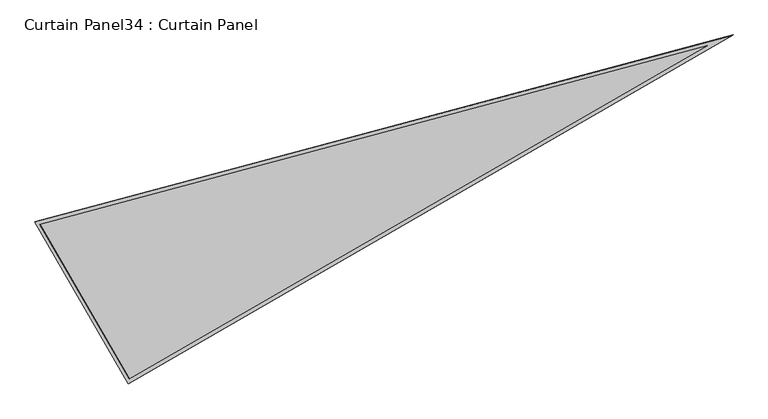
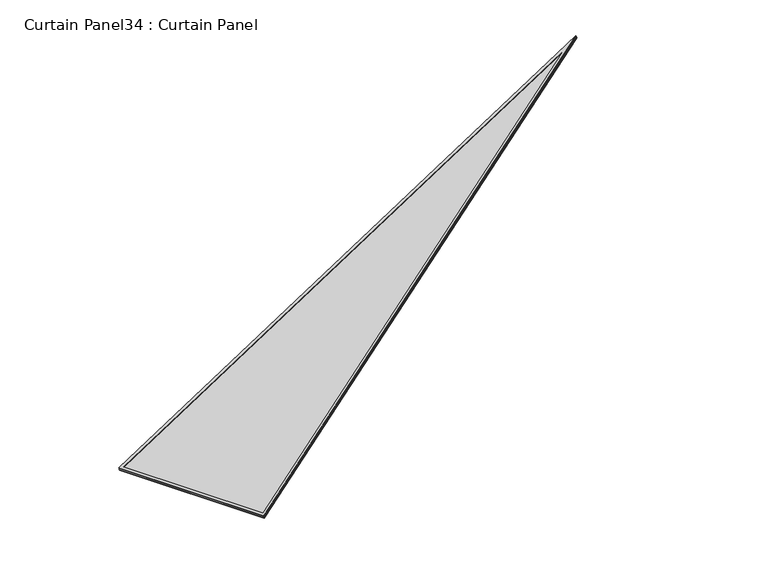
"""IFC4 building model written with IfcOpenShell, lengths in millimetres: plate geometry, Curtain Panel34 : Curtain Panel."""

import ifcopenshell
import ifcopenshell.guid

model = None  # the IFC model being written
_history = None  # IfcOwnerHistory: only IFC2X3 demands one
_inside = {}  # id of a spatial element -> (the spatial element, [elements in it])
_under = {}  # id of a project, library or spatial element -> (it, [spatial elements below it])
_declared = {}  # id of a project -> (the project, [libraries it declares])
_typed = {}  # id of a type object -> (the type object, [elements of that type])
_made_of = {}  # id of a material, layer set ... -> (it, [elements and type objects made of it])


def new_model(schema):
    """Start an empty IFC model of exactly this schema.

    Asked for "IFC4X3", IfcOpenShell would pick the latest addendum, in which some entities
    have other attributes; the version numbers below select the first issue.
    IFC2X3 requires an IfcOwnerHistory on every rooted entity: one is made here for all.
    """
    global model, _history
    if schema == "IFC4X3":
        model = ifcopenshell.file(schema_version=(4, 3, 0, 0))
    else:
        model = ifcopenshell.file(schema=schema)
    _inside.clear()
    _under.clear()
    _declared.clear()
    _typed.clear()
    _made_of.clear()
    _history = None
    if model.schema == "IFC2X3":
        org = make("IfcOrganization", Name="unknown")
        user = make(
            "IfcPersonAndOrganization",
            ThePerson=make("IfcPerson", FamilyName="unknown"),
            TheOrganization=org,
        )
        app = make(
            "IfcApplication",
            ApplicationDeveloper=org,
            Version="unknown",
            ApplicationFullName="unknown",
            ApplicationIdentifier="unknown",
        )
        _history = make(
            "IfcOwnerHistory",
            OwningUser=user,
            OwningApplication=app,
            ChangeAction="ADDED",
            CreationDate=0,
        )
    return model


def make(cls, **values):
    """One entity of the class cls with the attributes given. An attribute that is None is left unset."""
    return model.create_entity(
        cls, **{name: value for name, value in values.items() if value is not None}
    )


def rooted(cls, **values):
    """An entity with a GlobalId (a new one), such as an element, a storey or a relation."""
    return make(cls, GlobalId=ifcopenshell.guid.new(), OwnerHistory=_history, **values)


def si_unit(unit_type, name, prefix=None):
    """IfcSIUnit, for example si_unit("LENGTHUNIT", "METRE", prefix="MILLI")."""
    return make("IfcSIUnit", UnitType=unit_type, Prefix=prefix, Name=name)


def assignment(units):
    """IfcUnitAssignment: the units of a project."""
    return None if units is None else make("IfcUnitAssignment", Units=units)


def point(xyz):
    """IfcCartesianPoint."""
    return None if xyz is None else make("IfcCartesianPoint", Coordinates=xyz)


def direction(xyz):
    """IfcDirection."""
    return None if xyz is None else make("IfcDirection", DirectionRatios=xyz)


def frame(location, z_axis=None, x_axis=None):
    """IfcAxis2Placement3D, a coordinate frame: its origin and axes. An axis left out is left unset."""
    return make(
        "IfcAxis2Placement3D",
        Location=point(location),
        Axis=direction(z_axis),
        RefDirection=direction(x_axis),
    )


def origin():
    """The frame at (0, 0, 0) with its axes left unset."""
    return frame((0.0, 0.0, 0.0))


def place(relative_to, where):
    """IfcLocalPlacement: puts the frame where relative to a parent placement (None: the world)."""
    return make(
        "IfcLocalPlacement", PlacementRelTo=relative_to, RelativePlacement=where
    )


def context(
    kind, dimensions, precision=None, world=None, true_north=None, identifier=None
):
    """IfcGeometricRepresentationContext, for example the 3D "Model" context."""
    return make(
        "IfcGeometricRepresentationContext",
        ContextIdentifier=identifier,
        ContextType=kind,
        CoordinateSpaceDimension=dimensions,
        Precision=precision,
        WorldCoordinateSystem=world,
        TrueNorth=true_north,
    )


def project(units=None, contexts=None):
    """IfcProject with its units and contexts."""
    return rooted(
        "IfcProject",
        Name="project",
        RepresentationContexts=contexts,
        UnitsInContext=assignment(units),
    )


def spatial(cls, under=None, at=None, **own):
    """A site, building, storey or space (cls), placed at a placement, below another one or the project."""
    s = rooted(cls, ObjectPlacement=at, **own)
    if under is not None:
        _under.setdefault(under.id(), (under, []))[1].append(s)
    return s


def polyline(points):
    """IfcPolyline through the points."""
    return make("IfcPolyline", Points=[point(p) for p in points])


def outline(outer, holes=None, kind="AREA"):
    """IfcArbitraryClosedProfileDef: a profile drawn as a closed curve; with holes, ...WithVoids."""
    if holes is None:
        return make("IfcArbitraryClosedProfileDef", ProfileType=kind, OuterCurve=outer)
    return make(
        "IfcArbitraryProfileDefWithVoids",
        ProfileType=kind,
        OuterCurve=outer,
        InnerCurves=holes,
    )


def extrude(swept, where, along, depth):
    """IfcExtrudedAreaSolid: the profile swept, set in the frame where, extruded along a direction by depth."""
    return make(
        "IfcExtrudedAreaSolid",
        SweptArea=swept,
        Position=where,
        ExtrudedDirection=direction(along),
        Depth=depth,
    )


def shape(context_of_items, identifier, shape_type, items):
    """IfcShapeRepresentation: the items that make up one representation, for example the "Body"."""
    return make(
        "IfcShapeRepresentation",
        ContextOfItems=context_of_items,
        RepresentationIdentifier=identifier,
        RepresentationType=shape_type,
        Items=items,
    )


def source(mapping_origin, context_of_items, identifier, shape_type, items):
    """IfcRepresentationMap: a shape defined once, which mapped items show again and again."""
    return make(
        "IfcRepresentationMap",
        MappingOrigin=mapping_origin,
        MappedRepresentation=shape(context_of_items, identifier, shape_type, items),
    )


def transform(
    local_origin,
    x_axis=None,
    y_axis=None,
    z_axis=None,
    scale=None,
    scale2=None,
    scale3=None,
    uniform=True,
):
    """IfcCartesianTransformationOperator3D, or its non-uniform kind. x_axis, y_axis, z_axis: its Axis1, 2, 3."""
    if uniform:
        return make(
            "IfcCartesianTransformationOperator3D",
            Axis1=direction(x_axis),
            Axis2=direction(y_axis),
            LocalOrigin=point(local_origin),
            Scale=scale,
            Axis3=direction(z_axis),
        )
    return make(
        "IfcCartesianTransformationOperator3DnonUniform",
        Axis1=direction(x_axis),
        Axis2=direction(y_axis),
        LocalOrigin=point(local_origin),
        Scale=scale,
        Axis3=direction(z_axis),
        Scale2=scale2,
        Scale3=scale3,
    )


def mapped(mapping_source, mapping_target):
    """IfcMappedItem: shows the shape of a source again, moved by a transform."""
    return make(
        "IfcMappedItem", MappingSource=mapping_source, MappingTarget=mapping_target
    )


def made_of(thing, what):
    """Note that an element or type object is made of a material, layer set ...; save() writes the relation."""
    if what is not None:
        _made_of.setdefault(what.id(), (what, []))[1].append(thing)
    return thing


def element(
    cls,
    number,
    at=None,
    inside=None,
    cuts=None,
    type_object=None,
    material=None,
    context=None,
    identifier="Body",
    shape_type=None,
    held_by="IfcProductDefinitionShape",
    body=None,
    shapes=None,
    **own,
):
    """One element of the class cls, such as IfcWall. Its Tag is "e" and its number.

    at: its placement. inside: the storey or other place that contains it. cuts: it is an
    opening in that element (IfcRelVoidsElement). A single representation is given by context,
    identifier, shape_type and body (its items); several are given by shapes. held_by: the class
    of the entity that holds the representations. save() writes the other relations.
    """
    e = rooted(cls, Tag="e%d" % number, ObjectPlacement=at, **own)
    if body is not None:
        shapes = [shape(context, identifier, shape_type, body)]
    if shapes is not None:
        e.Representation = make(held_by, Representations=shapes)
    if inside is not None:
        _inside.setdefault(inside.id(), (inside, []))[1].append(e)
    if cuts is not None:
        rooted(
            "IfcRelVoidsElement", RelatingBuildingElement=cuts, RelatedOpeningElement=e
        )
    if type_object is not None:
        _typed.setdefault(type_object.id(), (type_object, []))[1].append(e)
    return made_of(e, material)


def aggregate(whole, parts):
    """IfcRelAggregates: a whole, such as a stair, and the parts it consists of."""
    return rooted("IfcRelAggregates", RelatingObject=whole, RelatedObjects=parts)


def save(model, path):
    """Write the relations noted so far, then the file.

    IfcRelAggregates (storeys below a building ...), IfcRelContainedInSpatialStructure (elements
    in a storey), IfcRelDefinesByType, IfcRelAssociatesMaterial and IfcRelDeclares: one each for
    every whole, place, type object, material and project.
    """
    for whole, parts in _under.values():
        aggregate(whole, parts)
    for where, things in _inside.values():
        rooted(
            "IfcRelContainedInSpatialStructure",
            RelatedElements=things,
            RelatingStructure=where,
        )
    for kind, things in _typed.values():
        rooted("IfcRelDefinesByType", RelatedObjects=things, RelatingType=kind)
    for what, things in _made_of.values():
        rooted("IfcRelAssociatesMaterial", RelatedObjects=things, RelatingMaterial=what)
    for by, libraries in _declared.values():
        rooted("IfcRelDeclares", RelatingContext=by, RelatedDefinitions=libraries)
    model.write(path)


def curtain_panel34_curtain_panel_ea25b3c2(model_context):
    return source(origin(), model_context, "Body", "SweptSolid", [
        extrude(outline(polyline([(895.9717139, 0.0), (0.0, -3524.5858216), (0.0, 0.0), (895.9717139, 0.0)]), holes=[polyline([(874.5431744, -16.6627979), (16.6627978, -16.6627979), (16.6627979, -3391.4043943), (874.5431744, -16.6627979)])]), frame((6086.683791, -1235.3299956, 898.6994038), z_axis=(-0.27379031486168054, -0.1580729119869011, 0.948710608132914), x_axis=(-0.499999999999992, 0.8660254037844433, 0.0)), (0.0, 0.0, 1.0), 4.8325478),
        extrude(outline(polyline([(895.9717138, 0.0), (0.0, -3524.5858216), (0.0, 0.0), (895.9717138, 0.0)]), holes=[polyline([(882.7093435, -10.3127979), (10.3127978, -10.3127979), (10.3127978, -3442.1582995), (882.7093435, -10.3127979)])]), frame((6091.5096759, -1232.5437696, 881.9772337), z_axis=(-0.2737903148616794, -0.15807291198690102, 0.9487106081329142), x_axis=(-0.4999999999999926, 0.866025403784443, 0.0)), (0.0, 0.0, 1.0), 4.8220694),
        extrude(outline(polyline([(12.7, 0.0), (908.6717138, 0.0), (12.7, -3524.5858216), (12.7, 0.0)])), frame((6096.53944, -1244.3045308, 886.5519821), z_axis=(-0.2737903148616804, -0.158072911986901, 0.9487106081329141), x_axis=(-0.4999999999999972, 0.8660254037844403, 0.0)), (0.0, 0.0, 1.0), 12.8041382),
    ])


if __name__ == "__main__":
    model = new_model("IFC4")
    model_context = context("Model", 3, world=origin())
    ifc_project = project(units=[si_unit("LENGTHUNIT", "METRE", prefix="MILLI")], contexts=[model_context])
    site = spatial("IfcSite", under=ifc_project)
    building = spatial("IfcBuilding", under=site)
    placement = place(None, origin())
    curtain_panel34_curtain_panel_shape = curtain_panel34_curtain_panel_ea25b3c2(model_context)
    element("IfcPlate", 1, ObjectType="Curtain Panel34 : Curtain Panel", at=placement, inside=building, context=model_context, shape_type="MappedRepresentation", body=[
        mapped(curtain_panel34_curtain_panel_shape, transform((0.0, 0.0, 0.0), x_axis=(1.0, 0.0, 0.0), y_axis=(0.0, 1.0, 0.0), z_axis=(0.0, 0.0, 1.0))),
    ])
    save(model, "model.ifc")
